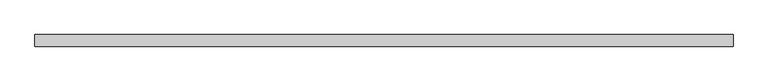
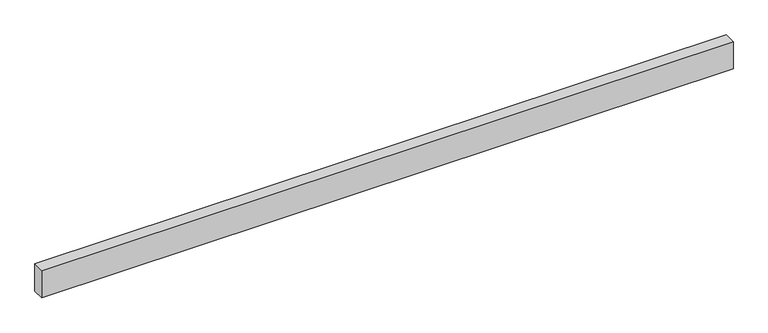
"""IFC4 building model written with IfcOpenShell, lengths in millimetres: proxy geometry."""

import ifcopenshell
import ifcopenshell.guid

model = None  # the IFC model being written
_history = None  # IfcOwnerHistory: only IFC2X3 demands one
_inside = {}  # id of a spatial element -> (the spatial element, [elements in it])
_under = {}  # id of a project, library or spatial element -> (it, [spatial elements below it])
_declared = {}  # id of a project -> (the project, [libraries it declares])
_typed = {}  # id of a type object -> (the type object, [elements of that type])
_made_of = {}  # id of a material, layer set ... -> (it, [elements and type objects made of it])


def new_model(schema):
    """Start an empty IFC model of exactly this schema.

    Asked for "IFC4X3", IfcOpenShell would pick the latest addendum, in which some entities
    have other attributes; the version numbers below select the first issue.
    IFC2X3 requires an IfcOwnerHistory on every rooted entity: one is made here for all.
    """
    global model, _history
    if schema == "IFC4X3":
        model = ifcopenshell.file(schema_version=(4, 3, 0, 0))
    else:
        model = ifcopenshell.file(schema=schema)
    _inside.clear()
    _under.clear()
    _declared.clear()
    _typed.clear()
    _made_of.clear()
    _history = None
    if model.schema == "IFC2X3":
        org = make("IfcOrganization", Name="unknown")
        user = make(
            "IfcPersonAndOrganization",
            ThePerson=make("IfcPerson", FamilyName="unknown"),
            TheOrganization=org,
        )
        app = make(
            "IfcApplication",
            ApplicationDeveloper=org,
            Version="unknown",
            ApplicationFullName="unknown",
            ApplicationIdentifier="unknown",
        )
        _history = make(
            "IfcOwnerHistory",
            OwningUser=user,
            OwningApplication=app,
            ChangeAction="ADDED",
            CreationDate=0,
        )
    return model


def make(cls, **values):
    """One entity of the class cls with the attributes given. An attribute that is None is left unset."""
    return model.create_entity(
        cls, **{name: value for name, value in values.items() if value is not None}
    )


def rooted(cls, **values):
    """An entity with a GlobalId (a new one), such as an element, a storey or a relation."""
    return make(cls, GlobalId=ifcopenshell.guid.new(), OwnerHistory=_history, **values)


def si_unit(unit_type, name, prefix=None):
    """IfcSIUnit, for example si_unit("LENGTHUNIT", "METRE", prefix="MILLI")."""
    return make("IfcSIUnit", UnitType=unit_type, Prefix=prefix, Name=name)


def assignment(units):
    """IfcUnitAssignment: the units of a project."""
    return None if units is None else make("IfcUnitAssignment", Units=units)


def point(xyz):
    """IfcCartesianPoint."""
    return None if xyz is None else make("IfcCartesianPoint", Coordinates=xyz)


def direction(xyz):
    """IfcDirection."""
    return None if xyz is None else make("IfcDirection", DirectionRatios=xyz)


def frame(location, z_axis=None, x_axis=None):
    """IfcAxis2Placement3D, a coordinate frame: its origin and axes. An axis left out is left unset."""
    return make(
        "IfcAxis2Placement3D",
        Location=point(location),
        Axis=direction(z_axis),
        RefDirection=direction(x_axis),
    )


def origin():
    """The frame at (0, 0, 0) with its axes left unset."""
    return frame((0.0, 0.0, 0.0))


def origin_with_axes():
    """The frame at (0, 0, 0) with the z axis (0, 0, 1) and the x axis (1, 0, 0) written out."""
    return frame((0.0, 0.0, 0.0), z_axis=(0.0, 0.0, 1.0), x_axis=(1.0, 0.0, 0.0))


def place(relative_to, where):
    """IfcLocalPlacement: puts the frame where relative to a parent placement (None: the world)."""
    return make(
        "IfcLocalPlacement", PlacementRelTo=relative_to, RelativePlacement=where
    )


def context(
    kind, dimensions, precision=None, world=None, true_north=None, identifier=None
):
    """IfcGeometricRepresentationContext, for example the 3D "Model" context."""
    return make(
        "IfcGeometricRepresentationContext",
        ContextIdentifier=identifier,
        ContextType=kind,
        CoordinateSpaceDimension=dimensions,
        Precision=precision,
        WorldCoordinateSystem=world,
        TrueNorth=true_north,
    )


def project(units=None, contexts=None):
    """IfcProject with its units and contexts."""
    return rooted(
        "IfcProject",
        Name="project",
        RepresentationContexts=contexts,
        UnitsInContext=assignment(units),
    )


def spatial(cls, under=None, at=None, **own):
    """A site, building, storey or space (cls), placed at a placement, below another one or the project."""
    s = rooted(cls, ObjectPlacement=at, **own)
    if under is not None:
        _under.setdefault(under.id(), (under, []))[1].append(s)
    return s


def polyline(points):
    """IfcPolyline through the points."""
    return make("IfcPolyline", Points=[point(p) for p in points])


def outline(outer, holes=None, kind="AREA"):
    """IfcArbitraryClosedProfileDef: a profile drawn as a closed curve; with holes, ...WithVoids."""
    if holes is None:
        return make("IfcArbitraryClosedProfileDef", ProfileType=kind, OuterCurve=outer)
    return make(
        "IfcArbitraryProfileDefWithVoids",
        ProfileType=kind,
        OuterCurve=outer,
        InnerCurves=holes,
    )


def extrude(swept, where, along, depth):
    """IfcExtrudedAreaSolid: the profile swept, set in the frame where, extruded along a direction by depth."""
    return make(
        "IfcExtrudedAreaSolid",
        SweptArea=swept,
        Position=where,
        ExtrudedDirection=direction(along),
        Depth=depth,
    )


def shape(context_of_items, identifier, shape_type, items):
    """IfcShapeRepresentation: the items that make up one representation, for example the "Body"."""
    return make(
        "IfcShapeRepresentation",
        ContextOfItems=context_of_items,
        RepresentationIdentifier=identifier,
        RepresentationType=shape_type,
        Items=items,
    )


def source(mapping_origin, context_of_items, identifier, shape_type, items):
    """IfcRepresentationMap: a shape defined once, which mapped items show again and again."""
    return make(
        "IfcRepresentationMap",
        MappingOrigin=mapping_origin,
        MappedRepresentation=shape(context_of_items, identifier, shape_type, items),
    )


def transform(
    local_origin,
    x_axis=None,
    y_axis=None,
    z_axis=None,
    scale=None,
    scale2=None,
    scale3=None,
    uniform=True,
):
    """IfcCartesianTransformationOperator3D, or its non-uniform kind. x_axis, y_axis, z_axis: its Axis1, 2, 3."""
    if uniform:
        return make(
            "IfcCartesianTransformationOperator3D",
            Axis1=direction(x_axis),
            Axis2=direction(y_axis),
            LocalOrigin=point(local_origin),
            Scale=scale,
            Axis3=direction(z_axis),
        )
    return make(
        "IfcCartesianTransformationOperator3DnonUniform",
        Axis1=direction(x_axis),
        Axis2=direction(y_axis),
        LocalOrigin=point(local_origin),
        Scale=scale,
        Axis3=direction(z_axis),
        Scale2=scale2,
        Scale3=scale3,
    )


def mapped(mapping_source, mapping_target):
    """IfcMappedItem: shows the shape of a source again, moved by a transform."""
    return make(
        "IfcMappedItem", MappingSource=mapping_source, MappingTarget=mapping_target
    )


def made_of(thing, what):
    """Note that an element or type object is made of a material, layer set ...; save() writes the relation."""
    if what is not None:
        _made_of.setdefault(what.id(), (what, []))[1].append(thing)
    return thing


def element(
    cls,
    number,
    at=None,
    inside=None,
    cuts=None,
    type_object=None,
    material=None,
    context=None,
    identifier="Body",
    shape_type=None,
    held_by="IfcProductDefinitionShape",
    body=None,
    shapes=None,
    **own,
):
    """One element of the class cls, such as IfcWall. Its Tag is "e" and its number.

    at: its placement. inside: the storey or other place that contains it. cuts: it is an
    opening in that element (IfcRelVoidsElement). A single representation is given by context,
    identifier, shape_type and body (its items); several are given by shapes. held_by: the class
    of the entity that holds the representations. save() writes the other relations.
    """
    e = rooted(cls, Tag="e%d" % number, ObjectPlacement=at, **own)
    if body is not None:
        shapes = [shape(context, identifier, shape_type, body)]
    if shapes is not None:
        e.Representation = make(held_by, Representations=shapes)
    if inside is not None:
        _inside.setdefault(inside.id(), (inside, []))[1].append(e)
    if cuts is not None:
        rooted(
            "IfcRelVoidsElement", RelatingBuildingElement=cuts, RelatedOpeningElement=e
        )
    if type_object is not None:
        _typed.setdefault(type_object.id(), (type_object, []))[1].append(e)
    return made_of(e, material)


def aggregate(whole, parts):
    """IfcRelAggregates: a whole, such as a stair, and the parts it consists of."""
    return rooted("IfcRelAggregates", RelatingObject=whole, RelatedObjects=parts)


def save(model, path):
    """Write the relations noted so far, then the file.

    IfcRelAggregates (storeys below a building ...), IfcRelContainedInSpatialStructure (elements
    in a storey), IfcRelDefinesByType, IfcRelAssociatesMaterial and IfcRelDeclares: one each for
    every whole, place, type object, material and project.
    """
    for whole, parts in _under.values():
        aggregate(whole, parts)
    for where, things in _inside.values():
        rooted(
            "IfcRelContainedInSpatialStructure",
            RelatedElements=things,
            RelatingStructure=where,
        )
    for kind, things in _typed.values():
        rooted("IfcRelDefinesByType", RelatedObjects=things, RelatingType=kind)
    for what, things in _made_of.values():
        rooted("IfcRelAssociatesMaterial", RelatedObjects=things, RelatingMaterial=what)
    for by, libraries in _declared.values():
        rooted("IfcRelDeclares", RelatingContext=by, RelatedDefinitions=libraries)
    model.write(path)


def generic_models_9391607e(model_context):
    return source(origin(), model_context, "Body", "SweptSolid", [
        extrude(outline(polyline([(12000.0, 200.0), (12000.0, 0.0), (0.0, 0.0), (0.0, 200.0), (12000.0, 200.0)])), origin_with_axes(), (0.0, 0.0, 1.0), 500.0),
    ])


if __name__ == "__main__":
    model = new_model("IFC4")
    model_context = context("Model", 3, world=origin())
    ifc_project = project(units=[si_unit("LENGTHUNIT", "METRE", prefix="MILLI")], contexts=[model_context])
    site = spatial("IfcSite", under=ifc_project)
    building = spatial("IfcBuilding", under=site)
    placement = place(None, origin())
    generic_models_shape = generic_models_9391607e(model_context)
    element("IfcBuildingElementProxy", 1, Name="Generic Models", at=placement, inside=building, context=model_context, shape_type="MappedRepresentation", body=[
        mapped(generic_models_shape, transform((0.0, 0.0, 0.0), x_axis=(1.0, 0.0, 0.0), y_axis=(0.0, 1.0, 0.0), z_axis=(0.0, 0.0, 1.0))),
    ])
    save(model, "model.ifc")
